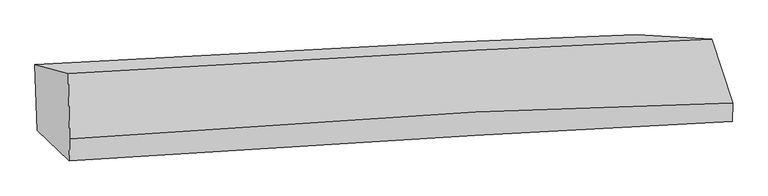
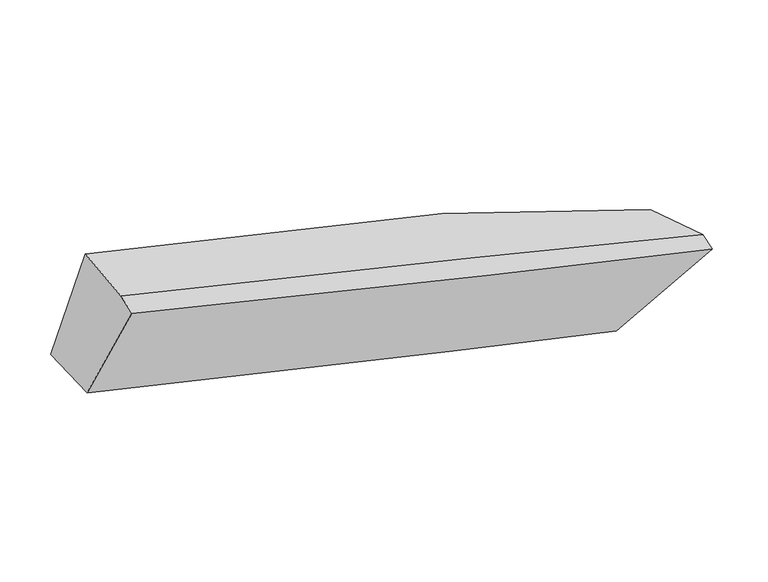
"""IFC4 building model written with IfcOpenShell, lengths in millimetres: proxy geometry."""

from ifc_helpers import new_model, si_unit, frame, origin, place, context, project, spatial, source, transform, mapped, element, save
from ifc_brep_helpers import plane_surface, spline_curve, spline_surface, advanced_brep


def generic_models_7674c175(model_context):
    return source(origin(), model_context, "Body", "AdvancedBrep", [
        advanced_brep(
        [(-1989.9171646, -1858.7729833, 3335.2778689), (-1771.5385616, -1916.417111, 4060.9416618), (2447.1030359, -1693.0354354, 2787.7216457), (1954.8523643, -1663.3444482, 2323.5786579), (-1762.5936585, -2346.9273017, 3997.0870169), (2584.4296627, -2112.500445, 2804.0648407), (-1765.9536382, -2490.6600758, 3954.313191), (2581.635436, -2232.0315124, 2768.4932663), (-1973.9789366, -2289.5898277, 3294.9982203), (1987.3253518, -2062.3355622, 2244.9487999)],
        [
            (0, 1),
            (1, 2, spline_curve(3, [(-1771.5385616, -1916.417111, 4060.9416618), (-909.003792396, -1860.181321119, 3882.856142935), (-18.141862765, -1809.255142897, 3643.211017991), (1407.789856527, -1738.490477229, 3175.954188504), (1923.141792577, -1714.956096758, 2991.192641456), (2447.1030359, -1693.0354354, 2787.7216457)], [4, 2, 4], [0.0, 8.982540187115507, 13.934552865000764])),
            (2, 3),
            (3, 0, spline_curve(3, [(1954.8523643, -1663.3444482, 2323.5786579), (1588.364301935, -1674.780634862, 2444.944912881), (1186.052603884, -1690.379719602, 2565.770446397), (-46.823877858, -1745.988299775, 2904.24192875), (-959.435356161, -1795.532060047, 3120.649465369), (-1989.9171646, -1858.7729833, 3335.2778689)], [4, 2, 4], [0.0, 4.952012677885257, 13.934552865000764])),
            (1, 4),
            (4, 5, spline_curve(3, [(-1762.5936585, -2346.9273017, 3997.0870169), (-959.910968625, -2273.765935669, 3766.512445959), (-72.536504407, -2215.294902592, 3519.322400532), (1435.42317112, -2147.378203707, 3110.082710776), (1997.056480696, -2127.706951113, 2959.598697341), (2584.4296627, -2112.500445, 2804.0648407)], [4, 2, 4], [0.0, 9.440500284431733, 14.6449832169036])),
            (5, 2),
            (4, 6),
            (6, 7, spline_curve(3, [(-1765.9536382, -2490.6600758, 3954.313191), (-963.701563225, -2435.919500552, 3718.256726921), (-76.401765473, -2380.642529473, 3470.116152166), (1431.994261921, -2294.059635592, 3066.43138569), (1993.890822107, -2263.127085959, 2919.298652404), (2581.635436, -2232.0315124, 2768.4932663)], [4, 2, 4], [0.0, 9.54704207250536, 14.810260760595881])),
            (7, 5),
            (6, 8),
            (8, 9, spline_curve(3, [(-1973.9789366, -2289.5898277, 3294.9982203), (-972.877632864, -2228.280497316, 3021.248733885), (-68.417014026, -2175.014897574, 2778.518944895), (1184.748498202, -2104.862522685, 2450.094534813), (1600.722642246, -2082.376700623, 2342.807850316), (1987.3253518, -2062.3355622, 2244.9487999)], [4, 2, 4], [0.0, 9.113571726707958, 14.137821191932655])),
            (9, 7),
            (8, 0),
            (3, 9),
        ],
        [
            spline_surface(3, 3, [[(-1989.9171646, -1858.7729833, 3335.2778689), (-959.435356104, -1795.532060128, 3120.649465416), (-46.823877815, -1745.98829981, 2904.241928636), (1186.052603861, -1690.379719582, 2565.77044646), (1588.36430186, -1674.780634857, 2444.944912907), (1954.8523643, -1663.3444482, 2323.5786579)], [(-1917.124296919, -1877.987692548, 3577.165799854), (-942.624834894, -1817.081813759, 3374.718357913), (-37.263206132, -1767.077247496, 3150.564958433), (1259.965021419, -1706.41663877, 2769.165027171), (1699.956798786, -1688.172455489, 2627.027489087), (2118.935921506, -1673.241443944, 2478.292987166)], [(-1844.331429281, -1897.202401752, 3819.053730846), (-925.814313728, -1838.631567347, 3628.787250448), (-27.702534454, -1788.166195247, 3396.887988161), (1333.877438972, -1722.453558022, 2972.559607811), (1811.549295695, -1701.564276087, 2809.110065269), (2283.019478694, -1683.138439656, 2633.007316434)], [(-1771.5385616, -1916.417111, 4060.9416618), (-909.003792518, -1860.181320978, 3882.856142945), (-18.141862771, -1809.255142932, 3643.211017959), (1407.78985653, -1738.490477209, 3175.954188521), (1923.141792621, -1714.956096719, 2991.19264145), (2447.1030359, -1693.0354354, 2787.7216457)]], [4, 4], [4, 2, 4], [0.0, 2.3332018390283547], [0.0, 8.982540187115507, 13.934552865000764]),
            spline_surface(3, 3, [[(-1771.5385616, -1916.417111, 4060.9416618), (-909.003792518, -1860.181320978, 3882.856142945), (-18.141862771, -1809.255142932, 3643.211017959), (1407.78985653, -1738.490477209, 3175.954188521), (1923.141792621, -1714.956096719, 2991.19264145), (2447.1030359, -1693.0354354, 2787.7216457)], [(-1768.556927219, -2059.920507894, 4039.656780163), (-925.972851214, -1998.04285917, 3844.074910574), (-36.273410006, -1944.601729492, 3601.914812128), (1417.000961398, -1874.786386034, 3153.997029258), (1947.780021995, -1852.539714829, 2980.661326742), (2492.878578181, -1832.857105253, 2793.169377348)], [(-1765.575292881, -2203.423904806, 4018.371898537), (-942.941909953, -2135.90439738, 3805.293678214), (-54.404957225, -2079.94831606, 3560.618606349), (1426.212066282, -2011.082294867, 3132.039870047), (1972.418251326, -1990.12333298, 2970.130012091), (2538.654120419, -1972.678775147, 2798.617109052)], [(-1762.5936585, -2346.9273017, 3997.0870169), (-959.910968649, -2273.765935573, 3766.512445843), (-72.536504461, -2215.29490262, 3519.322400518), (1435.42317115, -2147.378203691, 3110.082710785), (1997.056480701, -2127.70695109, 2959.598697383), (2584.4296627, -2112.500445, 2804.0648407)]], [4, 4], [4, 2, 4], [0.0, 1.3854568025835428], [0.0, 9.440500284431733, 14.6449832169036]),
            spline_surface(3, 3, [[(-1762.5936585, -2346.9273017, 3997.0870169), (-959.910968649, -2273.765935573, 3766.512445843), (-72.536504461, -2215.29490262, 3519.322400518), (1435.42317115, -2147.378203691, 3110.082710785), (1997.056480701, -2127.70695109, 2959.598697383), (2584.4296627, -2112.500445, 2804.0648407)], [(-1763.713651733, -2394.838226403, 3982.82907493), (-961.174500204, -2327.81712394, 3750.427206163), (-73.824924755, -2270.410778203, 3502.920317682), (1434.280201411, -2196.27201437, 3095.532269112), (1996.001261141, -2172.846996027, 2946.165349035), (2583.498253789, -2152.344134124, 2792.207649236)], [(-1764.833644967, -2442.749151097, 3968.57113297), (-962.438031761, -2381.868312297, 3734.341966493), (-75.113345103, -2325.526653736, 3486.518234851), (1433.137231617, -2245.165824998, 3080.981827445), (1994.946041614, -2217.987040991, 2932.732000677), (2582.566844911, -2192.187823276, 2780.350457764)], [(-1765.9536382, -2490.6600758, 3954.313191), (-963.701563316, -2435.919500665, 3718.256726813), (-76.401765397, -2380.642529319, 3470.116152016), (1431.994261879, -2294.059635677, 3066.431385772), (1993.890822054, -2263.127085927, 2919.298652329), (2581.635436, -2232.0315124, 2768.4932663)]], [4, 4], [4, 2, 4], [0.0, 0.544791001745497], [0.0, 9.54704207250536, 14.810260760595881]),
            spline_surface(3, 3, [[(-1765.9536382, -2490.6600758, 3954.313191), (-963.701563316, -2435.919500665, 3718.256726813), (-76.401765397, -2380.642529319, 3470.116152016), (1431.994261879, -2294.059635677, 3066.431385772), (1993.890822054, -2263.127085927, 2919.298652329), (2581.635436, -2232.0315124, 2768.4932663)], [(-1835.295404363, -2423.636659759, 3734.54153412), (-966.760253237, -2366.70649957, 3485.920729171), (-73.740181668, -2312.099985427, 3239.583749653), (1349.579007333, -2230.993931337, 2860.985768813), (1862.834762113, -2202.876957485, 2727.135051673), (2383.532074601, -2175.466195662, 2593.978444165)], [(-1904.637170437, -2356.613243741, 3514.76987718), (-969.81894307, -2297.493498499, 3253.584731468), (-71.078597899, -2243.557441529, 3009.051347226), (1267.163752828, -2167.92822699, 2655.540151791), (1731.778702169, -2142.626829058, 2534.971451021), (2185.428713199, -2118.900878938, 2419.463622035)], [(-1973.9789366, -2289.5898277, 3294.9982203), (-972.877632992, -2228.280497404, 3021.248733826), (-68.417014171, -2175.014897638, 2778.518944863), (1184.748498282, -2104.86252265, 2450.094534831), (1600.722642228, -2082.376700616, 2342.807850365), (1987.3253518, -2062.3355622, 2244.9487999)]], [4, 4], [4, 2, 4], [0.0, 2.3049565826299188], [0.0, 9.113571726707958, 14.137821191932655]),
            spline_surface(3, 3, [[(-1973.9789366, -2289.5898277, 3294.9982203), (-972.877632992, -2228.280497404, 3021.248733826), (-68.417014171, -2175.014897638, 2778.518944863), (1184.748498282, -2104.86252265, 2450.094534831), (1600.722642228, -2082.376700616, 2342.807850365), (1987.3253518, -2062.3355622, 2244.9487999)], [(-1979.291679267, -2145.984212896, 3308.424769833), (-968.396874029, -2084.031018308, 3054.382311022), (-61.219302053, -2032.0060317, 2820.426606094), (1185.183200141, -1966.701588299, 2488.653172015), (1596.603195428, -1946.51134538, 2376.853537897), (1976.501022623, -1929.338524217, 2271.158752585)], [(-1984.604421933, -2002.378598104, 3321.851319367), (-963.916115067, -1939.781539224, 3087.51588822), (-54.021589933, -1888.997165748, 2862.334267404), (1185.617902002, -1828.540653934, 2527.211809276), (1592.48374866, -1810.645990093, 2410.899225375), (1965.676693477, -1796.341486183, 2297.368705215)], [(-1989.9171646, -1858.7729833, 3335.2778689), (-959.435356104, -1795.532060128, 3120.649465416), (-46.823877815, -1745.98829981, 2904.241928636), (1186.052603861, -1690.379719582, 2565.77044646), (1588.36430186, -1674.780634857, 2444.944912907), (1954.8523643, -1663.3444482, 2323.5786579)]], [4, 4], [4, 2, 4], [0.0, 1.4487582265769352], [0.0, 8.652283890178508, 13.422228541056292]),
            plane_surface(frame((2311.0691701, -1952.6494806, 2585.7614421), z_axis=(0.6790867782588771, 0.1947474674875708, -0.7077531854404868), x_axis=(-0.7337161533299738, 0.20950117310542546, -0.6463511930909673))),
            plane_surface(frame((-1852.7963919, -2180.4734599, 3728.5235918), z_axis=(-0.9570899401043702, -0.061877342464740526, 0.28310782581997734), x_axis=(0.03680976040320963, -0.9949829316344545, -0.09302691704643828))),
        ],
        [
            (0, [[1, 2, 3, 4]]),
            (1, [[5, 6, 7, -2]]),
            (2, [[8, 9, 10, -6]]),
            (3, [[11, 12, 13, -9]]),
            (4, [[14, -4, 15, -12]]),
            (5, [[-13, -15, -3, -7, -10]]),
            (6, [[-14, -11, -8, -5, -1]]),
        ],
    ),
    ])


if __name__ == "__main__":
    model = new_model("IFC4")
    model_context = context("Model", 3, world=origin())
    ifc_project = project(units=[si_unit("LENGTHUNIT", "METRE", prefix="MILLI")], contexts=[model_context])
    site = spatial("IfcSite", under=ifc_project)
    building = spatial("IfcBuilding", under=site)
    placement = place(None, origin())
    generic_models_shape = generic_models_7674c175(model_context)
    element("IfcBuildingElementProxy", 1, Name="Generic Models", at=placement, inside=building, context=model_context, shape_type="MappedRepresentation", body=[
        mapped(generic_models_shape, transform((0.0, 0.0, 0.0), x_axis=(1.0, 0.0, 0.0), y_axis=(0.0, 1.0, 0.0), z_axis=(0.0, 0.0, 1.0))),
    ])
    save(model, "model.ifc")
